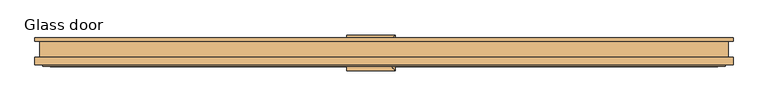
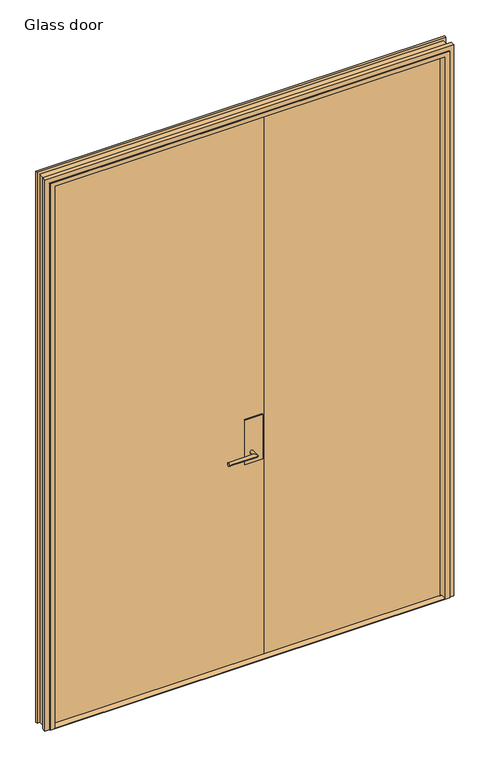
"""IFC4 building model written with IfcOpenShell, lengths in millimetres: door geometry, Glass door."""

from ifc_helpers import new_model, si_unit, frame, origin, origin_with_axes, place, context, project, spatial, polyline, circle_curve, ellipse_curve, outline, extrude, faceted_brep, source, transform, mapped, element, save
from ifc_brep_helpers import plane_surface, cylinder_surface, advanced_brep


def glass_door_7e476700(model_context):
    return source(origin(), model_context, "Body", "SolidModel", [
        advanced_brep(
        [(30.0231001, 0.5, 977.0), (15.0231001, 0.5, 977.0), (30.0231001, 38.0, 977.0), (15.0231001, 23.0, 977.0), (-97.4768999, 38.0, 977.0), (-97.4768999, 23.0, 977.0)],
        [
            (0, 1, circle_curve(frame((22.5231001, 0.5, 977.0), z_axis=(0.0, -1.0, 0.0), x_axis=(-1.0, 0.0, 0.0)), 7.5)),
            (1, 0, circle_curve(frame((22.5231001, 0.5, 977.0), z_axis=(0.0, -1.0, 0.0), x_axis=(-1.0, 0.0, 0.0)), 7.5)),
            (0, 2),
            (2, 3, ellipse_curve(frame((22.5231001, 30.5, 977.0), z_axis=(0.7071067811865475, -0.7071067811865475, 0.0), x_axis=(-0.7071067811865474, -0.7071067811865476, 0.0)), 10.6066017, 7.5)),
            (3, 1),
            (3, 2, ellipse_curve(frame((22.5231001, 30.5, 977.0), z_axis=(0.7071067811865475, -0.7071067811865475, 0.0), x_axis=(-0.7071067811865474, -0.7071067811865476, 0.0)), 10.6066017, 7.5)),
            (4, 5, circle_curve(frame((-97.4768999, 30.5, 977.0), z_axis=(-1.0, 0.0, 0.0), x_axis=(0.0, -1.0, 0.0)), 7.5)),
            (5, 4, circle_curve(frame((-97.4768999, 30.5, 977.0), z_axis=(-1.0, 0.0, 0.0), x_axis=(0.0, -1.0, 0.0)), 7.5)),
            (2, 4),
            (5, 3),
        ],
        [
            plane_surface(frame((22.5231001, 0.5, 977.0), z_axis=(0.0, -1.0, 0.0), x_axis=(0.0, 0.0, 1.0))),
            cylinder_surface(frame((22.5231001, 0.5, 977.0), z_axis=(0.0, -1.0, 0.0), x_axis=(-1.0, 0.0, 0.0)), 7.5),
            plane_surface(frame((-97.4768999, 30.5, 977.0), z_axis=(-1.0, 0.0, 0.0), x_axis=(0.0, 0.0, 1.0))),
            cylinder_surface(frame((22.5231001, 30.5, 977.0), z_axis=(1.0, 0.0, 0.0), x_axis=(0.0, -1.0, 0.0)), 7.5),
        ],
        [
            (0, [[1, 2]]),
            (1, [[-1, 3, 4, 5]]),
            (1, [[-2, -5, 6, -3]]),
            (2, [[7, 8]]),
            (3, [[-4, 9, -8, 10]]),
            (3, [[-6, -10, -7, -9]]),
        ],
    ),
        advanced_brep(
        [(15.0231001, -17.5, 977.0), (30.0231001, -17.5, 977.0), (15.0231001, -40.0, 977.0), (30.0231001, -55.0, 977.0), (-97.4768999, -40.0, 977.0), (-97.4768999, -55.0, 977.0)],
        [
            (0, 1, circle_curve(frame((22.5231001, -17.5, 977.0), z_axis=(0.0, 1.0, 0.0), x_axis=(1.0, 0.0, 0.0)), 7.5)),
            (1, 0, circle_curve(frame((22.5231001, -17.5, 977.0), z_axis=(0.0, 1.0, 0.0), x_axis=(1.0, 0.0, 0.0)), 7.5)),
            (0, 2),
            (2, 3, ellipse_curve(frame((22.5231001, -47.5, 977.0), z_axis=(0.7071067811865475, 0.7071067811865475, 0.0), x_axis=(-0.7071067811865474, 0.7071067811865476, 0.0)), 10.6066017, 7.5)),
            (3, 1),
            (3, 2, ellipse_curve(frame((22.5231001, -47.5, 977.0), z_axis=(0.7071067811865475, 0.7071067811865475, 0.0), x_axis=(-0.7071067811865474, 0.7071067811865476, 0.0)), 10.6066017, 7.5)),
            (4, 5, circle_curve(frame((-97.4768999, -47.5, 977.0), z_axis=(-1.0, 0.0, 0.0), x_axis=(0.0, -1.0, 0.0)), 7.5)),
            (5, 4, circle_curve(frame((-97.4768999, -47.5, 977.0), z_axis=(-1.0, 0.0, 0.0), x_axis=(0.0, -1.0, 0.0)), 7.5)),
            (2, 4),
            (5, 3),
        ],
        [
            plane_surface(frame((22.5231001, -17.5, 977.0), z_axis=(0.0, 1.0, 0.0), x_axis=(0.0, 0.0, 1.0))),
            cylinder_surface(frame((22.5231001, -17.5, 977.0), z_axis=(0.0, 1.0, 0.0), x_axis=(1.0, 0.0, 0.0)), 7.5),
            plane_surface(frame((-97.4768999, -47.5, 977.0), z_axis=(-1.0, 0.0, 0.0), x_axis=(0.0, 0.0, 1.0))),
            cylinder_surface(frame((22.5231001, -47.5, 977.0), z_axis=(1.0, 0.0, 0.0), x_axis=(0.0, -1.0, 0.0)), 7.5),
        ],
        [
            (0, [[1, 2]]),
            (1, [[-1, 3, 4, 5]]),
            (1, [[-2, -5, 6, -3]]),
            (2, [[7, 8]]),
            (3, [[-4, 9, -8, 10]]),
            (3, [[-6, -10, -7, -9]]),
        ],
    ),
        extrude(outline(polyline([(72.5231001, 0.5), (72.5231001, -17.5), (-7.4768999, -17.5), (-7.4768999, 0.5), (72.5231001, 0.5)])), frame((0.0, 0.0, 927.0), z_axis=(0.0, 0.0, 1.0), x_axis=(1.0, 0.0, 0.0)), (0.0, 0.0, 1.0), 210.0),
        extrude(outline(polyline([(865.0, -3.5), (865.0, -13.5), (82.5231001, -13.5), (82.5231001, -3.5), (865.0, -3.5)])), origin_with_axes(), (0.0, 0.0, 1.0), 2558.0),
        faceted_brep([(900.0, 21.0, 0.0), (900.0, -21.0, 0.0), (912.0, -21.0, 0.0), (912.0, -39.5, 0.0), (892.0, -39.5, 0.0), (892.0, -44.5, 0.0), (872.0, -44.5, 0.0), (872.0, -0.5, 0.0), (860.0, -0.5, 0.0), (860.0, 18.5, 0.0), (873.0, 18.5, 0.0), (873.0, 30.5, 0.0), (912.0, 30.5, 0.0), (912.0, 21.0, 0.0), (912.0, 21.0, 2598.0), (-912.0, 21.0, 2598.0), (-912.0, 21.0, 0.0), (-900.0, 21.0, 0.0), (-900.0, 21.0, 2586.0), (900.0, 21.0, 2586.0), (912.0, 30.5, 2598.0), (873.0, 30.5, 2559.0), (-873.0, 30.5, 2559.0), (-873.0, 30.5, 0.0), (-912.0, 30.5, 0.0), (-912.0, 30.5, 2598.0), (873.0, 18.5, 2559.0), (860.0, 18.5, 2546.0), (-860.0, 18.5, 2546.0), (-860.0, 18.5, 0.0), (-873.0, 18.5, 0.0), (-873.0, 18.5, 2559.0), (860.0, -0.5, 2546.0), (872.0, -0.5, 2558.0), (-872.0, -0.5, 2558.0), (-872.0, -0.5, 0.0), (-860.0, -0.5, 0.0), (-860.0, -0.5, 2546.0), (872.0, -44.5, 2558.0), (892.0, -44.5, 2578.0), (-892.0, -44.5, 2578.0), (-892.0, -44.5, 0.0), (-872.0, -44.5, 0.0), (-872.0, -44.5, 2558.0), (892.0, -39.5, 2578.0), (912.0, -39.5, 2598.0), (-912.0, -39.5, 2598.0), (-912.0, -39.5, 0.0), (-892.0, -39.5, 0.0), (-892.0, -39.5, 2578.0), (912.0, -21.0, 2598.0), (900.0, -21.0, 2586.0), (-900.0, -21.0, 2586.0), (-900.0, -21.0, 0.0), (-912.0, -21.0, 0.0), (-912.0, -21.0, 2598.0)], [[[0, 1, 2, 3, 4, 5, 6, 7, 8, 9, 10, 11, 12, 13]], [[13, 14, 15, 16, 17, 18, 19, 0]], [[12, 20, 14, 13]], [[11, 21, 22, 23, 24, 25, 20, 12]], [[10, 26, 21, 11]], [[9, 27, 28, 29, 30, 31, 26, 10]], [[8, 32, 27, 9]], [[7, 33, 34, 35, 36, 37, 32, 8]], [[6, 38, 33, 7]], [[5, 39, 40, 41, 42, 43, 38, 6]], [[4, 44, 39, 5]], [[3, 45, 46, 47, 48, 49, 44, 4]], [[2, 50, 45, 3]], [[1, 51, 52, 53, 54, 55, 50, 2]], [[0, 19, 51, 1]], [[17, 16, 24, 23, 30, 29, 36, 35, 42, 41, 48, 47, 54, 53]], [[18, 17, 53, 52]], [[55, 54, 47, 46]], [[49, 48, 41, 40]], [[43, 42, 35, 34]], [[37, 36, 29, 28]], [[31, 30, 23, 22]], [[25, 24, 16, 15]], [[19, 18, 52, 51]], [[50, 55, 46, 45]], [[20, 25, 15, 14]], [[26, 31, 22, 21]], [[32, 37, 28, 27]], [[38, 43, 34, 33]], [[44, 49, 40, 39]]]),
        extrude(outline(polyline([(-865.0, -13.5), (-865.0, -3.5), (82.5231001, -3.5), (82.5231001, -13.5), (-865.0, -13.5)])), origin_with_axes(), (0.0, 0.0, 1.0), 2558.0),
        extrude(outline(polyline([(872.0, -44.5), (-872.0, -44.5), (-872.0, -0.5), (-860.0, -0.5), (-860.0, 18.5), (860.0, 18.5), (860.0, -15.5), (872.0, -15.5), (872.0, -44.5)])), origin_with_axes(), (0.0, 0.0, 1.0), 2.0),
    ])


if __name__ == "__main__":
    model = new_model("IFC4")
    model_context = context("Model", 3, world=origin())
    ifc_project = project(units=[si_unit("LENGTHUNIT", "METRE", prefix="MILLI")], contexts=[model_context])
    site = spatial("IfcSite", under=ifc_project)
    building = spatial("IfcBuilding", under=site)
    placement = place(None, origin())
    glass_door_shape = glass_door_7e476700(model_context)
    element("IfcDoor", 1, ObjectType="Glass door", at=placement, inside=building, context=model_context, shape_type="MappedRepresentation", body=[
        mapped(glass_door_shape, transform((0.0, 0.0, 0.0), x_axis=(1.0, 0.0, 0.0), y_axis=(0.0, 1.0, 0.0), z_axis=(0.0, 0.0, 1.0))),
    ])
    save(model, "model.ifc")
